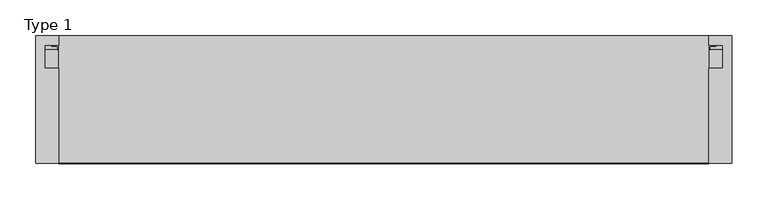
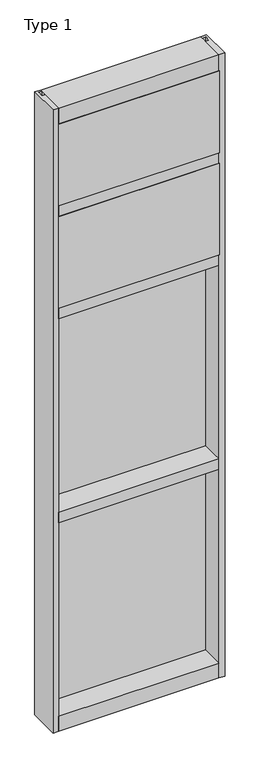
"""IFC4 building model written with IfcOpenShell, lengths in millimetres: plate geometry, Type 1."""

from ifc_helpers import new_model, si_unit, point, frame, frame_2d, origin, place, context, project, spatial, polyline, circle_curve, trimmed, segment, composite_curve, outline, extrude, source, transform, mapped, element, save


def type_1_56220ec3(model_context):
    return source(origin(), model_context, "Body", "SweptSolid", [
        extrude(outline(polyline([(34.0360843, 3579.4782689), (34.0360843, 3568.7272341), (27.686, 3566.9739421), (27.686, 3579.4782689), (34.0360843, 3579.4782689)])), frame((-473.075, 0.0, 0.0), z_axis=(1.0, 0.0, 0.0), x_axis=(0.0, 1.0, 0.0)), (0.0, 0.0, 1.0), 946.15),
        extrude(outline(composite_curve([segment(polyline([(-454.5124462, 27.686), (-455.4789521, 27.686), (-455.5064595, 31.7563748)]), True, "CONTINUOUS"), segment(trimmed(circle_curve(frame_2d((-456.141445, 31.7520836)), 0.635), [point((-455.5064595, 31.7563748))], [point((-456.1063642, 32.3861138))], True, "CARTESIAN"), True, "CONTINUOUS"), segment(polyline([(-456.1063642, 32.3861138), (-462.8617251, 32.7598869)]), True, "CONTINUOUS"), segment(trimmed(circle_curve(frame_2d((-462.6791718, 33.7593519)), 1.016), [point((-462.8617251, 32.7598869))], [point((-463.6567504, 34.0361122))], False, "CARTESIAN"), True, "CONTINUOUS"), segment(polyline([(-463.6567504, 34.0361122), (-454.1015008, 34.0361122), (-454.5124462, 27.686)]), True, "CONTINUOUS")], self_intersect=False)), frame((0.0, 0.0, 3068.9728643), z_axis=(0.0, 0.0, 1.0), x_axis=(1.0, 0.0, 0.0)), (0.0, 0.0, 1.0), 518.7771357),
        extrude(outline(composite_curve([segment(polyline([(454.5124462, 27.686), (454.1015008, 34.0361122), (463.6567504, 34.0361122)]), True, "CONTINUOUS"), segment(trimmed(circle_curve(frame_2d((462.6791718, 33.7593519)), 1.016), [point((463.6567504, 34.0361122))], [point((462.8617251, 32.7598869))], False, "CARTESIAN"), True, "CONTINUOUS"), segment(polyline([(462.8617251, 32.7598869), (456.1063642, 32.3861138)]), True, "CONTINUOUS"), segment(trimmed(circle_curve(frame_2d((456.141445, 31.7520836)), 0.635), [point((456.1063642, 32.3861138))], [point((455.5064595, 31.7563748))], True, "CARTESIAN"), True, "CONTINUOUS"), segment(polyline([(455.5064595, 31.7563748), (455.4789521, 27.686), (454.5124462, 27.686)]), True, "CONTINUOUS")], self_intersect=False)), frame((0.0, 0.0, 3068.9728643), z_axis=(0.0, 0.0, 1.0), x_axis=(1.0, 0.0, 0.0)), (0.0, 0.0, 1.0), 518.7771357),
        extrude(outline(polyline([(34.0361122, 3068.9728643), (27.686, 3068.9728643), (27.686, 3081.4771952), (34.0361122, 3079.7238955), (34.0361122, 3068.9728643)])), frame((-463.6567504, 0.0, 0.0), z_axis=(1.0, 0.0, 0.0), x_axis=(0.0, 1.0, 0.0)), (0.0, 0.0, 1.0), 927.3135007),
        extrude(outline(polyline([(455.6125, -48.6030703), (454.025, -131.0159103), (-454.025, -131.0159103), (-455.6125, -48.6030703), (455.6125, -48.6030703)])), frame((0.0, 0.0, 3079.75), z_axis=(0.0, 0.0, 1.0), x_axis=(1.0, 0.0, 0.0)), (0.0, 0.0, 1.0), 488.95),
        extrude(outline(polyline([(-473.075, 27.686), (473.075, 27.686), (473.075, 2.286), (-473.075, 2.286), (-473.075, 27.686)])), frame((0.0, 0.0, 3060.7), z_axis=(0.0, 0.0, 1.0), x_axis=(1.0, 0.0, 0.0)), (0.0, 0.0, 1.0), 527.05),
        extrude(outline(composite_curve([segment(polyline([(34.0360974, 3027.0282838), (34.0360974, 3016.1659828)]), True, "CONTINUOUS"), segment(trimmed(circle_curve(frame_2d((38.5198748, 2991.1648681)), 25.4), [point((34.0360974, 3016.1659828))], [point((27.686, 3014.1384868))], True, "CARTESIAN"), True, "CONTINUOUS"), segment(polyline([(27.686, 3014.1384868), (27.686, 3027.0282838), (34.0360974, 3027.0282838)]), True, "CONTINUOUS")], self_intersect=False)), frame((-473.075, 0.0, 0.0), z_axis=(1.0, 0.0, 0.0), x_axis=(0.0, 1.0, 0.0)), (0.0, 0.0, 1.0), 946.15),
        extrude(outline(composite_curve([segment(polyline([(-454.1015008, 34.0361122), (-454.5124462, 27.686), (-455.4789521, 27.686), (-455.5064595, 31.7563748)]), True, "CONTINUOUS"), segment(trimmed(circle_curve(frame_2d((-456.141445, 31.7520836)), 0.635), [point((-455.5064595, 31.7563748))], [point((-456.1063642, 32.3861138))], True, "CARTESIAN"), True, "CONTINUOUS"), segment(polyline([(-456.1063642, 32.3861138), (-462.8617251, 32.7598869)]), True, "CONTINUOUS"), segment(trimmed(circle_curve(frame_2d((-462.6791718, 33.7593519)), 1.016), [point((-462.8617251, 32.7598869))], [point((-463.6567504, 34.0361122))], False, "CARTESIAN"), True, "CONTINUOUS"), segment(polyline([(-463.6567504, 34.0361122), (-454.1015008, 34.0361122)]), True, "CONTINUOUS")], self_intersect=False)), frame((0.0, 0.0, 2459.3728643), z_axis=(0.0, 0.0, 1.0), x_axis=(1.0, 0.0, 0.0)), (0.0, 0.0, 1.0), 575.9271357),
        extrude(outline(composite_curve([segment(polyline([(454.5124462, 27.686), (454.1015008, 34.0361122), (463.6567504, 34.0361122)]), True, "CONTINUOUS"), segment(trimmed(circle_curve(frame_2d((462.6791718, 33.7593519)), 1.016), [point((463.6567504, 34.0361122))], [point((462.8617251, 32.7598869))], False, "CARTESIAN"), True, "CONTINUOUS"), segment(polyline([(462.8617251, 32.7598869), (456.1063642, 32.3861138)]), True, "CONTINUOUS"), segment(trimmed(circle_curve(frame_2d((456.141445, 31.7520836)), 0.635), [point((456.1063642, 32.3861138))], [point((455.5064595, 31.7563748))], True, "CARTESIAN"), True, "CONTINUOUS"), segment(polyline([(455.5064595, 31.7563748), (455.4789521, 27.686), (454.5124462, 27.686)]), True, "CONTINUOUS")], self_intersect=False)), frame((0.0, 0.0, 2459.3728643), z_axis=(0.0, 0.0, 1.0), x_axis=(1.0, 0.0, 0.0)), (0.0, 0.0, 1.0), 575.9271357),
        extrude(outline(polyline([(34.0361122, 2459.3728643), (27.686, 2459.3728643), (27.686, 2471.8771952), (34.0361122, 2470.1238955), (34.0361122, 2459.3728643)])), frame((-463.6567504, 0.0, 0.0), z_axis=(1.0, 0.0, 0.0), x_axis=(0.0, 1.0, 0.0)), (0.0, 0.0, 1.0), 927.3135007),
        extrude(outline(polyline([(454.025, -48.514), (454.025, -131.0159103), (-454.025, -131.0159103), (-454.025, -48.514), (454.025, -48.514)])), frame((0.0, 0.0, 2470.15), z_axis=(0.0, 0.0, 1.0), x_axis=(1.0, 0.0, 0.0)), (0.0, 0.0, 1.0), 546.1),
        extrude(outline(polyline([(473.075, 27.686), (473.075, 2.286), (-473.075, 2.286), (-473.075, 27.686), (473.075, 27.686)])), frame((0.0, 0.0, 2451.1), z_axis=(0.0, 0.0, 1.0), x_axis=(1.0, 0.0, 0.0)), (0.0, 0.0, 1.0), 584.2),
        extrude(outline(polyline([(-485.775, -130.5814), (-485.775, 47.2186), (-454.0239108, 47.2186), (-454.0239108, 34.036), (-473.075, 34.036), (-473.075, 2.286), (-454.025, 2.286), (-454.025, -130.5814), (-485.775, -130.5814)])), frame((0.0, 0.0, -57.15), z_axis=(0.0, 0.0, 1.0), x_axis=(1.0, 0.0, 0.0)), (0.0, 0.0, 1.0), 3721.1),
        extrude(outline(polyline([(485.775, -130.5814), (454.025, -130.5814), (454.025, 2.286), (473.075, 2.286), (473.075, 34.036), (454.0239108, 34.036), (454.0239108, 47.2186), (485.775, 47.2186), (485.775, -130.5814)])), frame((0.0, 0.0, -57.15), z_axis=(0.0, 0.0, 1.0), x_axis=(1.0, 0.0, 0.0)), (0.0, 0.0, 1.0), 3721.1),
        extrude(outline(polyline([(27.686, 1252.6752684), (34.036, 1250.9219997), (34.036, 1240.1709644), (27.686, 1240.1709644), (27.686, 1252.6752684)])), frame((-463.6578713, 0.0, 0.0), z_axis=(1.0, 0.0, 0.0), x_axis=(0.0, 1.0, 0.0)), (0.0, 0.0, 1.0), 927.3157427),
        extrude(outline(polyline([(27.6860992, 2417.4309356), (34.0360992, 2417.4309356), (34.0360992, 2406.6798775), (27.6860992, 2404.9266088), (27.6860992, 2417.4309356)])), frame((-463.6578713, 0.0, 0.0), z_axis=(1.0, 0.0, 0.0), x_axis=(0.0, 1.0, 0.0)), (0.0, 0.0, 1.0), 927.3157427),
        extrude(outline(composite_curve([segment(trimmed(circle_curve(frame_2d((-456.1425342, 31.7520836)), 0.635), [point((-455.5075487, 31.7563748))], [point((-456.1074534, 32.3861138))], True, "CARTESIAN"), True, "CONTINUOUS"), segment(polyline([(-456.1074534, 32.3861138), (-462.8628143, 32.7598869)]), True, "CONTINUOUS"), segment(trimmed(circle_curve(frame_2d((-462.6802611, 33.7593519)), 1.016), [point((-462.8628143, 32.7598869))], [point((-463.6578713, 34.036))], False, "CARTESIAN"), True, "CONTINUOUS"), segment(polyline([(-463.6578713, 34.036), (-454.1025972, 34.036), (-454.5135354, 27.686), (-455.4800413, 27.686), (-455.5075487, 31.7563748)]), True, "CONTINUOUS")], self_intersect=False)), frame((0.0, 0.0, 1240.1709644), z_axis=(0.0, 0.0, 1.0), x_axis=(1.0, 0.0, 0.0)), (0.0, 0.0, 1.0), 1177.2580861),
        extrude(outline(composite_curve([segment(polyline([(454.5135354, 27.686), (454.1025972, 34.036), (463.6578713, 34.036)]), True, "CONTINUOUS"), segment(trimmed(circle_curve(frame_2d((462.6802611, 33.7593519)), 1.016), [point((463.6578713, 34.036))], [point((462.8628143, 32.7598869))], False, "CARTESIAN"), True, "CONTINUOUS"), segment(polyline([(462.8628143, 32.7598869), (456.1074534, 32.3861138)]), True, "CONTINUOUS"), segment(trimmed(circle_curve(frame_2d((456.1425342, 31.7520836)), 0.635), [point((456.1074534, 32.3861138))], [point((455.5075487, 31.7563748))], True, "CARTESIAN"), True, "CONTINUOUS"), segment(polyline([(455.5075487, 31.7563748), (455.4800413, 27.686), (454.5135354, 27.686)]), True, "CONTINUOUS")], self_intersect=False)), frame((0.0, 0.0, 1240.1709644), z_axis=(0.0, 0.0, 1.0), x_axis=(1.0, 0.0, 0.0)), (0.0, 0.0, 1.0), 1177.2580861),
        extrude(outline(polyline([(473.0760892, 27.686), (473.0760892, 2.286), (-473.0760892, 2.286), (-473.0760892, 27.686), (473.0760892, 27.686)])), frame((0.0, 0.0, 1231.8962001), z_axis=(0.0, 0.0, 1.0), x_axis=(1.0, 0.0, 0.0)), (0.0, 0.0, 1.0), 1193.8037999),
        extrude(outline(polyline([(27.686, 33.4752684), (34.036, 31.7219997), (34.036, 20.9709644), (27.686, 20.9709644), (27.686, 33.4752684)])), frame((-463.6578713, 0.0, 0.0), z_axis=(1.0, 0.0, 0.0), x_axis=(0.0, 1.0, 0.0)), (0.0, 0.0, 1.0), 927.3157427),
        extrude(outline(polyline([(27.6860992, 1198.2309356), (34.0360992, 1198.2309356), (34.0360992, 1187.4798775), (27.6860992, 1185.7266088), (27.6860992, 1198.2309356)])), frame((-463.6578713, 0.0, 0.0), z_axis=(1.0, 0.0, 0.0), x_axis=(0.0, 1.0, 0.0)), (0.0, 0.0, 1.0), 927.3157427),
        extrude(outline(composite_curve([segment(trimmed(circle_curve(frame_2d((-456.1425342, 31.7520836)), 0.635), [point((-455.5075487, 31.7563748))], [point((-456.1074534, 32.3861138))], True, "CARTESIAN"), True, "CONTINUOUS"), segment(polyline([(-456.1074534, 32.3861138), (-462.8628143, 32.7598869)]), True, "CONTINUOUS"), segment(trimmed(circle_curve(frame_2d((-462.6802611, 33.7593519)), 1.016), [point((-462.8628143, 32.7598869))], [point((-463.6578713, 34.036))], False, "CARTESIAN"), True, "CONTINUOUS"), segment(polyline([(-463.6578713, 34.036), (-454.1025972, 34.036), (-454.5135354, 27.686), (-455.4800413, 27.686), (-455.5075487, 31.7563748)]), True, "CONTINUOUS")], self_intersect=False)), frame((0.0, 0.0, 20.9709644), z_axis=(0.0, 0.0, 1.0), x_axis=(1.0, 0.0, 0.0)), (0.0, 0.0, 1.0), 1177.2580861),
        extrude(outline(composite_curve([segment(polyline([(454.5135354, 27.686), (454.1025972, 34.036), (463.6578713, 34.036)]), True, "CONTINUOUS"), segment(trimmed(circle_curve(frame_2d((462.6802611, 33.7593519)), 1.016), [point((463.6578713, 34.036))], [point((462.8628143, 32.7598869))], False, "CARTESIAN"), True, "CONTINUOUS"), segment(polyline([(462.8628143, 32.7598869), (456.1074534, 32.3861138)]), True, "CONTINUOUS"), segment(trimmed(circle_curve(frame_2d((456.1425342, 31.7520836)), 0.635), [point((456.1074534, 32.3861138))], [point((455.5075487, 31.7563748))], True, "CARTESIAN"), True, "CONTINUOUS"), segment(polyline([(455.5075487, 31.7563748), (455.4800413, 27.686), (454.5135354, 27.686)]), True, "CONTINUOUS")], self_intersect=False)), frame((0.0, 0.0, 20.9709644), z_axis=(0.0, 0.0, 1.0), x_axis=(1.0, 0.0, 0.0)), (0.0, 0.0, 1.0), 1177.2580861),
        extrude(outline(polyline([(473.0760892, 27.686), (473.0760892, 2.286), (-473.0760892, 2.286), (-473.0760892, 27.686), (473.0760892, 27.686)])), frame((0.0, 0.0, 12.6962001), z_axis=(0.0, 0.0, 1.0), x_axis=(1.0, 0.0, 0.0)), (0.0, 0.0, 1.0), 1193.8037999),
        extrude(outline(polyline([(0.0, 3079.75), (0.0, 3060.7), (34.13125, 3060.7), (34.13125, 3079.7462001), (46.83125, 3079.7462001), (46.83125, 3016.2462001), (34.13125, 3016.2462001), (34.13125, 3035.3), (0.0, 3035.3), (0.0, 3016.25), (-130.175, 3016.25), (-130.175, 3079.75), (0.0, 3079.75)])), frame((-454.025, 0.0, 0.0), z_axis=(1.0, 0.0, 0.0), x_axis=(0.0, 1.0, 0.0)), (0.0, 0.0, 1.0), 908.05),
        extrude(outline(polyline([(0.0, 2470.15), (0.0, 2451.1), (34.13125, 2451.1), (34.13125, 2470.1462001), (46.83125, 2470.1462001), (46.83125, 2406.6462001), (34.13125, 2406.6462001), (34.13125, 2425.7), (0.0, 2425.7), (0.0, 2406.65), (-130.175, 2406.65), (-130.175, 2470.15), (0.0, 2470.15)])), frame((-454.025, 0.0, 0.0), z_axis=(1.0, 0.0, 0.0), x_axis=(0.0, 1.0, 0.0)), (0.0, 0.0, 1.0), 908.05),
        extrude(outline(polyline([(47.2186297, 3663.95), (47.2186297, 3568.7), (34.13125, 3568.7), (34.13125, 3587.75), (0.0, 3587.75), (0.0, 3568.7), (-130.175, 3568.7), (-130.175, 3663.95), (47.2186297, 3663.95)])), frame((-454.025, 0.0, 0.0), z_axis=(1.0, 0.0, 0.0), x_axis=(0.0, 1.0, 0.0)), (0.0, 0.0, 1.0), 908.05),
        extrude(outline(polyline([(0.0, 1250.95), (0.0, 1231.9), (34.13125, 1231.9), (34.13125, 1250.9462001), (46.83125, 1250.9462001), (46.83125, 1187.4462001), (34.13125, 1187.4462001), (34.13125, 1206.5), (0.0, 1206.5), (0.0, 1187.45), (-130.175, 1187.45), (-130.175, 1250.95), (0.0, 1250.95)])), frame((-454.025, 0.0, 0.0), z_axis=(1.0, 0.0, 0.0), x_axis=(0.0, 1.0, 0.0)), (0.0, 0.0, 1.0), 908.05),
        extrude(outline(polyline([(0.0, 31.75), (0.0, 12.7), (34.13125, 12.7), (34.13125, 31.751832), (47.2186148, 31.751832), (47.2186148, -57.15), (-130.175, -57.15), (-130.175, 31.75), (0.0, 31.75)])), frame((-454.025, 0.0, 0.0), z_axis=(1.0, 0.0, 0.0), x_axis=(0.0, 1.0, 0.0)), (0.0, 0.0, 1.0), 908.05),
    ])


if __name__ == "__main__":
    model = new_model("IFC4")
    model_context = context("Model", 3, world=origin())
    ifc_project = project(units=[si_unit("LENGTHUNIT", "METRE", prefix="MILLI")], contexts=[model_context])
    site = spatial("IfcSite", under=ifc_project)
    building = spatial("IfcBuilding", under=site)
    placement = place(None, origin())
    type_1_shape = type_1_56220ec3(model_context)
    element("IfcPlate", 1, ObjectType="Type 1", at=placement, inside=building, context=model_context, shape_type="MappedRepresentation", body=[
        mapped(type_1_shape, transform((0.0, 0.0, 0.0), x_axis=(1.0, 0.0, 0.0), y_axis=(0.0, 1.0, 0.0), z_axis=(0.0, 0.0, 1.0))),
    ])
    save(model, "model.ifc")
